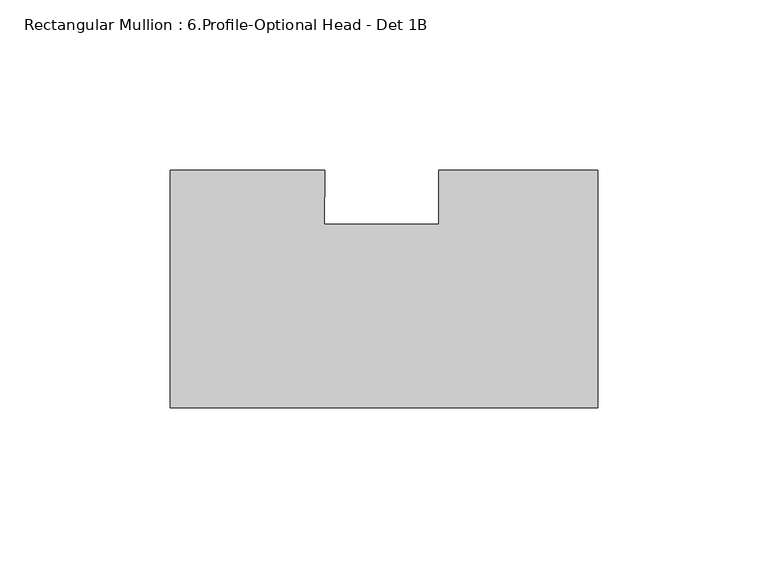
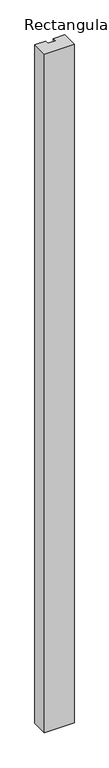
"""IFC4 building model written with IfcOpenShell, lengths in millimetres: member geometry, Rectangular Mullion : 6.Profile-Optional Head - Det 1B."""

import ifcopenshell
import ifcopenshell.guid

model = None  # the IFC model being written
_history = None  # IfcOwnerHistory: only IFC2X3 demands one
_inside = {}  # id of a spatial element -> (the spatial element, [elements in it])
_under = {}  # id of a project, library or spatial element -> (it, [spatial elements below it])
_declared = {}  # id of a project -> (the project, [libraries it declares])
_typed = {}  # id of a type object -> (the type object, [elements of that type])
_made_of = {}  # id of a material, layer set ... -> (it, [elements and type objects made of it])


def new_model(schema):
    """Start an empty IFC model of exactly this schema.

    Asked for "IFC4X3", IfcOpenShell would pick the latest addendum, in which some entities
    have other attributes; the version numbers below select the first issue.
    IFC2X3 requires an IfcOwnerHistory on every rooted entity: one is made here for all.
    """
    global model, _history
    if schema == "IFC4X3":
        model = ifcopenshell.file(schema_version=(4, 3, 0, 0))
    else:
        model = ifcopenshell.file(schema=schema)
    _inside.clear()
    _under.clear()
    _declared.clear()
    _typed.clear()
    _made_of.clear()
    _history = None
    if model.schema == "IFC2X3":
        org = make("IfcOrganization", Name="unknown")
        user = make(
            "IfcPersonAndOrganization",
            ThePerson=make("IfcPerson", FamilyName="unknown"),
            TheOrganization=org,
        )
        app = make(
            "IfcApplication",
            ApplicationDeveloper=org,
            Version="unknown",
            ApplicationFullName="unknown",
            ApplicationIdentifier="unknown",
        )
        _history = make(
            "IfcOwnerHistory",
            OwningUser=user,
            OwningApplication=app,
            ChangeAction="ADDED",
            CreationDate=0,
        )
    return model


def make(cls, **values):
    """One entity of the class cls with the attributes given. An attribute that is None is left unset."""
    return model.create_entity(
        cls, **{name: value for name, value in values.items() if value is not None}
    )


def rooted(cls, **values):
    """An entity with a GlobalId (a new one), such as an element, a storey or a relation."""
    return make(cls, GlobalId=ifcopenshell.guid.new(), OwnerHistory=_history, **values)


def si_unit(unit_type, name, prefix=None):
    """IfcSIUnit, for example si_unit("LENGTHUNIT", "METRE", prefix="MILLI")."""
    return make("IfcSIUnit", UnitType=unit_type, Prefix=prefix, Name=name)


def assignment(units):
    """IfcUnitAssignment: the units of a project."""
    return None if units is None else make("IfcUnitAssignment", Units=units)


def point(xyz):
    """IfcCartesianPoint."""
    return None if xyz is None else make("IfcCartesianPoint", Coordinates=xyz)


def direction(xyz):
    """IfcDirection."""
    return None if xyz is None else make("IfcDirection", DirectionRatios=xyz)


def frame(location, z_axis=None, x_axis=None):
    """IfcAxis2Placement3D, a coordinate frame: its origin and axes. An axis left out is left unset."""
    return make(
        "IfcAxis2Placement3D",
        Location=point(location),
        Axis=direction(z_axis),
        RefDirection=direction(x_axis),
    )


def origin():
    """The frame at (0, 0, 0) with its axes left unset."""
    return frame((0.0, 0.0, 0.0))


def place(relative_to, where):
    """IfcLocalPlacement: puts the frame where relative to a parent placement (None: the world)."""
    return make(
        "IfcLocalPlacement", PlacementRelTo=relative_to, RelativePlacement=where
    )


def context(
    kind, dimensions, precision=None, world=None, true_north=None, identifier=None
):
    """IfcGeometricRepresentationContext, for example the 3D "Model" context."""
    return make(
        "IfcGeometricRepresentationContext",
        ContextIdentifier=identifier,
        ContextType=kind,
        CoordinateSpaceDimension=dimensions,
        Precision=precision,
        WorldCoordinateSystem=world,
        TrueNorth=true_north,
    )


def project(units=None, contexts=None):
    """IfcProject with its units and contexts."""
    return rooted(
        "IfcProject",
        Name="project",
        RepresentationContexts=contexts,
        UnitsInContext=assignment(units),
    )


def spatial(cls, under=None, at=None, **own):
    """A site, building, storey or space (cls), placed at a placement, below another one or the project."""
    s = rooted(cls, ObjectPlacement=at, **own)
    if under is not None:
        _under.setdefault(under.id(), (under, []))[1].append(s)
    return s


def polyline(points):
    """IfcPolyline through the points."""
    return make("IfcPolyline", Points=[point(p) for p in points])


def outline(outer, holes=None, kind="AREA"):
    """IfcArbitraryClosedProfileDef: a profile drawn as a closed curve; with holes, ...WithVoids."""
    if holes is None:
        return make("IfcArbitraryClosedProfileDef", ProfileType=kind, OuterCurve=outer)
    return make(
        "IfcArbitraryProfileDefWithVoids",
        ProfileType=kind,
        OuterCurve=outer,
        InnerCurves=holes,
    )


def extrude(swept, where, along, depth):
    """IfcExtrudedAreaSolid: the profile swept, set in the frame where, extruded along a direction by depth."""
    return make(
        "IfcExtrudedAreaSolid",
        SweptArea=swept,
        Position=where,
        ExtrudedDirection=direction(along),
        Depth=depth,
    )


def shape(context_of_items, identifier, shape_type, items):
    """IfcShapeRepresentation: the items that make up one representation, for example the "Body"."""
    return make(
        "IfcShapeRepresentation",
        ContextOfItems=context_of_items,
        RepresentationIdentifier=identifier,
        RepresentationType=shape_type,
        Items=items,
    )


def source(mapping_origin, context_of_items, identifier, shape_type, items):
    """IfcRepresentationMap: a shape defined once, which mapped items show again and again."""
    return make(
        "IfcRepresentationMap",
        MappingOrigin=mapping_origin,
        MappedRepresentation=shape(context_of_items, identifier, shape_type, items),
    )


def transform(
    local_origin,
    x_axis=None,
    y_axis=None,
    z_axis=None,
    scale=None,
    scale2=None,
    scale3=None,
    uniform=True,
):
    """IfcCartesianTransformationOperator3D, or its non-uniform kind. x_axis, y_axis, z_axis: its Axis1, 2, 3."""
    if uniform:
        return make(
            "IfcCartesianTransformationOperator3D",
            Axis1=direction(x_axis),
            Axis2=direction(y_axis),
            LocalOrigin=point(local_origin),
            Scale=scale,
            Axis3=direction(z_axis),
        )
    return make(
        "IfcCartesianTransformationOperator3DnonUniform",
        Axis1=direction(x_axis),
        Axis2=direction(y_axis),
        LocalOrigin=point(local_origin),
        Scale=scale,
        Axis3=direction(z_axis),
        Scale2=scale2,
        Scale3=scale3,
    )


def mapped(mapping_source, mapping_target):
    """IfcMappedItem: shows the shape of a source again, moved by a transform."""
    return make(
        "IfcMappedItem", MappingSource=mapping_source, MappingTarget=mapping_target
    )


def made_of(thing, what):
    """Note that an element or type object is made of a material, layer set ...; save() writes the relation."""
    if what is not None:
        _made_of.setdefault(what.id(), (what, []))[1].append(thing)
    return thing


def element(
    cls,
    number,
    at=None,
    inside=None,
    cuts=None,
    type_object=None,
    material=None,
    context=None,
    identifier="Body",
    shape_type=None,
    held_by="IfcProductDefinitionShape",
    body=None,
    shapes=None,
    **own,
):
    """One element of the class cls, such as IfcWall. Its Tag is "e" and its number.

    at: its placement. inside: the storey or other place that contains it. cuts: it is an
    opening in that element (IfcRelVoidsElement). A single representation is given by context,
    identifier, shape_type and body (its items); several are given by shapes. held_by: the class
    of the entity that holds the representations. save() writes the other relations.
    """
    e = rooted(cls, Tag="e%d" % number, ObjectPlacement=at, **own)
    if body is not None:
        shapes = [shape(context, identifier, shape_type, body)]
    if shapes is not None:
        e.Representation = make(held_by, Representations=shapes)
    if inside is not None:
        _inside.setdefault(inside.id(), (inside, []))[1].append(e)
    if cuts is not None:
        rooted(
            "IfcRelVoidsElement", RelatingBuildingElement=cuts, RelatedOpeningElement=e
        )
    if type_object is not None:
        _typed.setdefault(type_object.id(), (type_object, []))[1].append(e)
    return made_of(e, material)


def aggregate(whole, parts):
    """IfcRelAggregates: a whole, such as a stair, and the parts it consists of."""
    return rooted("IfcRelAggregates", RelatingObject=whole, RelatedObjects=parts)


def save(model, path):
    """Write the relations noted so far, then the file.

    IfcRelAggregates (storeys below a building ...), IfcRelContainedInSpatialStructure (elements
    in a storey), IfcRelDefinesByType, IfcRelAssociatesMaterial and IfcRelDeclares: one each for
    every whole, place, type object, material and project.
    """
    for whole, parts in _under.values():
        aggregate(whole, parts)
    for where, things in _inside.values():
        rooted(
            "IfcRelContainedInSpatialStructure",
            RelatedElements=things,
            RelatingStructure=where,
        )
    for kind, things in _typed.values():
        rooted("IfcRelDefinesByType", RelatedObjects=things, RelatingType=kind)
    for what, things in _made_of.values():
        rooted("IfcRelAssociatesMaterial", RelatedObjects=things, RelatingMaterial=what)
    for by, libraries in _declared.values():
        rooted("IfcRelDeclares", RelatingContext=by, RelatedDefinitions=libraries)
    model.write(path)


def rectangular_mullion_6_profile_optional_head_det_1b_220d8010(model_context):
    return source(origin(), model_context, "Body", "SweptSolid", [
        extrude(outline(polyline([(-125.7808, -34.9265795), (-125.7808, 34.925), (-80.2810629, 34.925), (-80.4751121, 19.05), (-46.8497888, 19.05), (-46.8497888, 34.925), (0.0, 34.925), (0.0, -34.9265795), (-125.7808, -34.9265795)])), frame((0.0, 0.0, -3048.0), z_axis=(0.0, 0.0, 1.0), x_axis=(1.0, 0.0, 0.0)), (0.0, 0.0, 1.0), 3048.0),
    ])


if __name__ == "__main__":
    model = new_model("IFC4")
    model_context = context("Model", 3, world=origin())
    ifc_project = project(units=[si_unit("LENGTHUNIT", "METRE", prefix="MILLI")], contexts=[model_context])
    site = spatial("IfcSite", under=ifc_project)
    building = spatial("IfcBuilding", under=site)
    placement = place(None, origin())
    rectangular_mullion_6_profile_optional_head_det_1b_shape = rectangular_mullion_6_profile_optional_head_det_1b_220d8010(model_context)
    element("IfcMember", 1, ObjectType="Rectangular Mullion : 6.Profile-Optional Head - Det 1B", at=placement, inside=building, context=model_context, shape_type="MappedRepresentation", body=[
        mapped(rectangular_mullion_6_profile_optional_head_det_1b_shape, transform((0.0, 0.0, 0.0), x_axis=(1.0, 0.0, 0.0), y_axis=(0.0, 1.0, 0.0), z_axis=(0.0, 0.0, 1.0))),
    ])
    save(model, "model.ifc")
